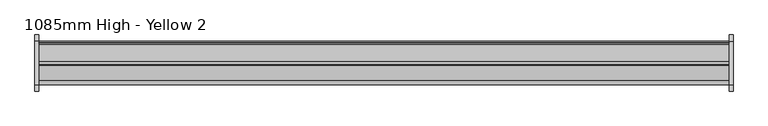
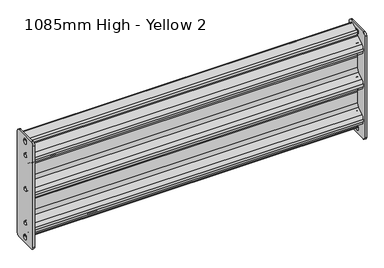
"""IFC4 building model written with IfcOpenShell, lengths in millimetres: proxy geometry, 1085mm High - Yellow 2."""

from ifc_helpers import new_model, si_unit, frame, origin, place, context, project, spatial, polyline, circle_curve, source, transform, mapped, element, save
from ifc_brep_helpers import plane_surface, cylinder_surface, revolved_surface, advanced_brep


def proxy_1085mm_high_yellow_2_e2ba2b8e(model_context):
    return source(origin(), model_context, "Body", "AdvancedBrep", [
        advanced_brep(
        [(1164.0, -35.0300035, 68.0), (1164.0, -45.0300035, 78.0), (1164.0, -45.0300035, 438.0), (1164.0, -35.0300035, 448.0), (1164.0, 34.9699965, 448.0), (1164.0, 44.9699965, 438.0), (1164.0, 44.9699965, 78.0), (1164.0, 34.9699965, 68.0), (1164.0, -6.0, 377.9554962), (1164.0, 6.0, 377.9554962), (1164.0, -7.5, 429.4691959), (1164.0, -7.5, 426.4691959), (1164.0, -2.063772, 419.2587281), (1164.0, -2.063772, 417.1716808), (1164.0, -3.4972479, 414.6131652), (1164.0, -27.8130322, 399.7251336), (1164.0, -34.9804117, 386.9325554), (1164.0, -34.9804117, 378.5396002), (1164.0, -28.5244216, 366.2107765), (1164.0, -8.4319153, 352.2864496), (1164.0, -1.9759252, 339.9576258), (1164.0, -1.9759252, 300.9623797), (1164.0, -8.4893548, 288.5939471), (1164.0, -28.4624955, 274.8894246), (1164.0, -34.9759252, 262.520992), (1164.0, -34.9759252, 253.479008), (1164.0, -28.4624955, 241.1105754), (1164.0, -8.4893548, 227.4060529), (1164.0, -1.9759252, 215.0376203), (1164.0, -1.9759252, 176.0423742), (1164.0, -8.4319153, 163.7135504), (1164.0, -28.5244216, 149.7892235), (1164.0, -34.9804117, 137.4603998), (1164.0, -34.9804117, 129.0674446), (1164.0, -27.8130322, 116.2748664), (1164.0, -3.4972479, 101.3868348), (1164.0, -2.063772, 98.8283192), (1164.0, -2.063772, 96.6522644), (1164.0, -7.5, 89.4417966), (1164.0, -7.5, 86.4417966), (1164.0, 6.5581152, 82.8029608), (1164.0, 29.0759346, 75.7534924), (1164.0, 32.6373808, 83.9850068), (1164.0, 2.9322889, 100.4086416), (1164.0, 1.4807117, 97.7832037), (1164.0, 31.1858037, 81.359569), (1164.0, 30.0143199, 78.6032957), (1164.0, 7.459593, 85.6643184), (1164.0, 7.5, 86.4417966), (1164.0, 7.5, 89.4417966), (1164.0, 0.936228, 96.8831323), (1164.0, 0.936228, 98.8283192), (1164.0, -1.9307238, 103.9453505), (1164.0, -26.2465081, 118.833382), (1164.0, -31.9804117, 129.0674446), (1164.0, -31.9804117, 137.4603998), (1164.0, -26.8156196, 147.3234588), (1164.0, -6.7231133, 161.2477857), (1164.0, 1.0240748, 176.0423742), (1164.0, 1.0240748, 215.0376203), (1164.0, -6.7920408, 229.8797394), (1164.0, -26.7651814, 243.5842619), (1164.0, -31.9759252, 253.479008), (1164.0, -31.9759252, 262.520992), (1164.0, -26.7651814, 272.4157381), (1164.0, -6.7920408, 286.1202606), (1164.0, 1.0240748, 300.9623797), (1164.0, 1.0240748, 339.9576258), (1164.0, -6.7231133, 354.7522143), (1164.0, -26.8156196, 368.6765412), (1164.0, -31.9804117, 378.5396002), (1164.0, -31.9804117, 386.9325554), (1164.0, -26.2465081, 397.166618), (1164.0, -1.9307238, 412.0546495), (1164.0, 0.936228, 417.1716808), (1164.0, 0.936228, 419.0278602), (1164.0, 7.5, 426.4691959), (1164.0, 7.5, 429.4691959), (1164.0, 7.4501229, 430.3327168), (1164.0, 30.0143199, 437.3967043), (1164.0, 31.1858037, 434.640431), (1164.0, 1.4807117, 418.2167963), (1164.0, 2.9322889, 415.5913584), (1164.0, 32.5942872, 431.9911672), (1164.0, 29.0759346, 440.2465076), (1164.0, 6.5155478, 433.1837129), (1164.0, -6.0, 257.9554962), (1164.0, 6.0, 257.9554962), (1164.0, -6.0, 137.9554962), (1164.0, 6.0, 137.9554962), (1170.0, -35.0300035, 68.0), (1170.0, 34.9699965, 68.0), (1170.0, 44.9699965, 78.0), (1170.0, 44.9699965, 438.0), (1170.0, 34.9699965, 448.0), (1170.0, -35.0300035, 448.0), (1170.0, -45.0300035, 438.0), (1170.0, -45.0300035, 78.0), (1170.0, -6.0, 377.9554962), (1170.0, 6.0, 377.9554962), (1170.0, 7.5, 429.4691959), (1170.0, 7.5, 426.4691959), (1170.0, -7.5, 426.4691959), (1170.0, -7.5, 429.4691959), (1170.0, -6.0, 257.9554962), (1170.0, 6.0, 257.9554962), (1170.0, -6.0, 137.9554962), (1170.0, 6.0, 137.9554962), (1170.0, 7.5, 89.4417966), (1170.0, 7.5, 86.4417966), (1170.0, -7.5, 86.4417966), (1170.0, -7.5, 89.4417966), (56.0, 3.7411745, 429.1715869), (56.0, 0.936228, 425.354278), (56.0, 0.936228, 419.0278602), (56.0, -2.063772, 419.2587281), (56.0, -2.063772, 425.354278), (56.0, 2.8448844, 432.0345686), (56.0, 6.5155478, 433.1837129), (56.0, 7.4501229, 430.3327168), (56.0, 0.936228, 90.645722), (56.0, 3.7411745, 86.8284131), (56.0, 7.459593, 85.6643184), (56.0, 6.5581152, 82.8029608), (56.0, 2.8448844, 83.9654314), (56.0, -2.063772, 90.645722), (56.0, -2.063772, 96.6522644), (56.0, 0.936228, 96.8831323), (1164.0, 2.8448844, 432.0345686), (1164.0, -2.063772, 425.354278), (1164.0, 0.936228, 425.354278), (1164.0, 3.7411745, 429.1715869), (1164.0, -2.063772, 90.645722), (1164.0, 2.8448844, 83.9654314), (1164.0, 3.7411745, 86.8284131), (1164.0, 0.936228, 90.645722), (56.0, 29.0759346, 440.2465076), (56.0, -2.063772, 417.1716808), (56.0, -3.4972479, 414.6131652), (56.0, -27.8130322, 399.7251336), (56.0, -34.9804117, 386.9325554), (56.0, -34.9804117, 378.5396002), (56.0, -28.5244216, 366.2107765), (56.0, -8.4319153, 352.2864496), (56.0, -1.9759252, 339.9576258), (56.0, -1.9759252, 300.9623797), (56.0, -8.4893548, 288.5939471), (56.0, -28.4624955, 274.8894246), (56.0, -34.9759252, 262.520992), (56.0, -34.9759252, 253.479008), (56.0, -28.4624955, 241.1105754), (56.0, -8.4893548, 227.4060529), (56.0, -1.9759252, 215.0376203), (56.0, -1.9759252, 176.0423742), (56.0, -8.4319153, 163.7135504), (56.0, -28.5244216, 149.7892235), (56.0, -34.9804117, 137.4603998), (56.0, -34.9804117, 129.0674446), (56.0, -27.8130322, 116.2748664), (56.0, -3.4972479, 101.3868348), (56.0, -2.063772, 98.8283192), (56.0, 29.0759346, 75.7534924), (56.0, 32.6373808, 83.9850068), (56.0, 2.9322889, 100.4086416), (56.0, 1.4807117, 97.7832037), (56.0, 31.1858037, 81.359569), (56.0, 30.0143199, 78.6032957), (56.0, 0.936228, 98.8283192), (56.0, -1.9307238, 103.9453505), (56.0, -26.2465081, 118.833382), (56.0, -31.9804117, 129.0674446), (56.0, -31.9804117, 137.4603998), (56.0, -26.8156196, 147.3234588), (56.0, -6.7231133, 161.2477857), (56.0, 1.0240748, 176.0423742), (56.0, 1.0240748, 215.0376203), (56.0, -6.7920408, 229.8797394), (56.0, -26.7651814, 243.5842619), (56.0, -31.9759252, 253.479008), (56.0, -31.9759252, 262.520992), (56.0, -26.7651814, 272.4157381), (56.0, -6.7920408, 286.1202606), (56.0, 1.0240748, 300.9623797), (56.0, 1.0240748, 339.9576258), (56.0, -6.7231133, 354.7522143), (56.0, -26.8156196, 368.6765412), (56.0, -31.9804117, 378.5396002), (56.0, -31.9804117, 386.9325554), (56.0, -26.2465081, 397.166618), (56.0, -1.9307238, 412.0546495), (56.0, 0.936228, 417.1716808), (56.0, 30.0143199, 437.3967043), (56.0, 31.1858037, 434.640431), (56.0, 1.4807117, 418.2167963), (56.0, 2.9322889, 415.5913584), (56.0, 32.5942872, 431.9911672), (56.0, 34.9699965, 448.0), (56.0, -35.0300035, 448.0), (56.0, -45.0300035, 438.0), (56.0, -45.0300035, 78.0), (56.0, -35.0300035, 68.0), (56.0, 34.9699965, 68.0), (56.0, 44.9699965, 78.0), (56.0, 44.9699965, 438.0), (56.0, -6.0, 377.9554962), (56.0, 6.0, 377.9554962), (56.0, -6.0, 257.9554962), (56.0, 6.0, 257.9554962), (56.0, -6.0, 137.9554962), (56.0, 6.0, 137.9554962), (56.0, -7.5, 86.4417966), (56.0, -7.5, 89.4417966), (56.0, -7.5, 426.4691959), (56.0, -7.5, 429.4691959), (56.0, 7.5, 429.4691959), (56.0, 7.5, 426.4691959), (56.0, 7.5, 89.4417966), (56.0, 7.5, 86.4417966), (50.0, 34.9699965, 448.0), (50.0, 44.9699965, 438.0), (50.0, 44.9699965, 78.0), (50.0, 34.9699965, 68.0), (50.0, -35.0300035, 68.0), (50.0, -45.0300035, 78.0), (50.0, -45.0300035, 438.0), (50.0, -35.0300035, 448.0), (50.0, -6.0, 377.9554962), (50.0, 6.0, 377.9554962), (50.0, -6.0, 257.9554962), (50.0, 6.0, 257.9554962), (50.0, -6.0, 137.9554962), (50.0, 6.0, 137.9554962), (50.0, 7.5, 86.4417966), (50.0, 7.5, 89.4417966), (50.0, -7.5, 89.4417966), (50.0, -7.5, 86.4417966), (50.0, 7.5, 426.4691959), (50.0, 7.5, 429.4691959), (50.0, -7.5, 429.4691959), (50.0, -7.5, 426.4691959)],
        [
            (0, 1, circle_curve(frame((1164.0, -35.0300035, 78.0), z_axis=(-1.0, 0.0, 0.0), x_axis=(0.0, 1.0, 0.0)), 10.0)),
            (1, 2),
            (2, 3, circle_curve(frame((1164.0, -35.0300035, 438.0), z_axis=(-1.0, 0.0, 0.0), x_axis=(0.0, 1.0, 0.0)), 10.0)),
            (3, 4),
            (4, 5, circle_curve(frame((1164.0, 34.9699965, 438.0), z_axis=(-1.0, 0.0, 0.0), x_axis=(0.0, 1.0, 0.0)), 10.0)),
            (5, 6),
            (6, 7, circle_curve(frame((1164.0, 34.9699965, 78.0), z_axis=(-1.0, 0.0, 0.0), x_axis=(0.0, 1.0, 0.0)), 10.0)),
            (7, 0),
            (8, 9, circle_curve(frame((1164.0, 0.0, 377.9554962), z_axis=(1.0, 0.0, 0.0), x_axis=(0.0, 1.0, 0.0)), 6.0)),
            (9, 8, circle_curve(frame((1164.0, 0.0, 377.9554962), z_axis=(1.0, 0.0, 0.0), x_axis=(0.0, 1.0, 0.0)), 6.0)),
            (10, 11),
            (11, 12, circle_curve(frame((1164.0, 0.0, 426.4691959), z_axis=(1.0, 0.0, 0.0), x_axis=(0.0, 1.0, 0.0)), 7.5)),
            (12, 13),
            (13, 14, circle_curve(frame((1164.0, -5.063772, 417.1716808), z_axis=(-1.0, 0.0, 0.0), x_axis=(0.0, 1.0, 0.0)), 3.0)),
            (14, 15),
            (15, 16, circle_curve(frame((1164.0, -19.9804117, 386.9325554), z_axis=(1.0, 0.0, 0.0), x_axis=(0.0, 1.0, 0.0)), 15.0)),
            (16, 17),
            (17, 18, circle_curve(frame((1164.0, -19.9804117, 378.5396002), z_axis=(1.0, 0.0, 0.0), x_axis=(0.0, 1.0, 0.0)), 15.0)),
            (18, 19),
            (19, 20, circle_curve(frame((1164.0, -16.9759252, 339.9576258), z_axis=(-1.0, 0.0, 0.0), x_axis=(0.0, 1.0, 0.0)), 15.0)),
            (20, 21),
            (21, 22, circle_curve(frame((1164.0, -16.9759252, 300.9623797), z_axis=(-1.0, 0.0, 0.0), x_axis=(0.0, 1.0, 0.0)), 15.0)),
            (22, 23),
            (23, 24, circle_curve(frame((1164.0, -19.9759252, 262.520992), z_axis=(1.0, 0.0, 0.0), x_axis=(0.0, 1.0, 0.0)), 15.0)),
            (24, 25),
            (25, 26, circle_curve(frame((1164.0, -19.9759252, 253.479008), z_axis=(1.0, 0.0, 0.0), x_axis=(0.0, 1.0, 0.0)), 15.0)),
            (26, 27),
            (27, 28, circle_curve(frame((1164.0, -16.9759252, 215.0376203), z_axis=(-1.0, 0.0, 0.0), x_axis=(0.0, 1.0, 0.0)), 15.0)),
            (28, 29),
            (29, 30, circle_curve(frame((1164.0, -16.9759252, 176.0423742), z_axis=(-1.0, 0.0, 0.0), x_axis=(0.0, 1.0, 0.0)), 15.0)),
            (30, 31),
            (31, 32, circle_curve(frame((1164.0, -19.9804117, 137.4603998), z_axis=(1.0, 0.0, 0.0), x_axis=(0.0, 1.0, 0.0)), 15.0)),
            (32, 33),
            (33, 34, circle_curve(frame((1164.0, -19.9804117, 129.0674446), z_axis=(1.0, 0.0, 0.0), x_axis=(0.0, 1.0, 0.0)), 15.0)),
            (34, 35),
            (35, 36, circle_curve(frame((1164.0, -5.063772, 98.8283192), z_axis=(-1.0, 0.0, 0.0), x_axis=(0.0, 1.0, 0.0)), 3.0)),
            (36, 37),
            (37, 38, circle_curve(frame((1164.0, 0.0, 89.4417966), z_axis=(1.0, 0.0, 0.0), x_axis=(0.0, 1.0, 0.0)), 7.5)),
            (38, 39),
            (39, 40, circle_curve(frame((1164.0, 0.0, 86.4417966), z_axis=(1.0, 0.0, 0.0), x_axis=(0.0, 1.0, 0.0)), 7.5)),
            (40, 41),
            (41, 42, circle_curve(frame((1164.0, 30.5119618, 80.0183857), z_axis=(1.0, 0.0, 0.0), x_axis=(0.0, 1.0, 0.0)), 4.5001654)),
            (42, 43),
            (43, 44),
            (44, 45),
            (45, 46, circle_curve(frame((1164.0, 30.5195883, 80.0156356), z_axis=(-1.0, 0.0, 0.0), x_axis=(0.0, 1.0, 0.0)), 1.5)),
            (46, 47),
            (47, 48, circle_curve(frame((1164.0, 0.0, 86.4417966), z_axis=(1.0, 0.0, 0.0), x_axis=(0.0, 1.0, 0.0)), 7.5)),
            (48, 49),
            (49, 50, circle_curve(frame((1164.0, 0.0, 89.4417966), z_axis=(1.0, 0.0, 0.0), x_axis=(0.0, 1.0, 0.0)), 7.5)),
            (50, 51),
            (51, 52, circle_curve(frame((1164.0, -5.063772, 98.8283192), z_axis=(1.0, 0.0, 0.0), x_axis=(0.0, 1.0, 0.0)), 6.0)),
            (52, 53),
            (53, 54, circle_curve(frame((1164.0, -19.9804117, 129.0674446), z_axis=(-1.0, 0.0, 0.0), x_axis=(0.0, 1.0, 0.0)), 12.0)),
            (54, 55),
            (55, 56, circle_curve(frame((1164.0, -19.9804117, 137.4603998), z_axis=(-1.0, 0.0, 0.0), x_axis=(0.0, 1.0, 0.0)), 12.0)),
            (56, 57),
            (57, 58, circle_curve(frame((1164.0, -16.9759252, 176.0423742), z_axis=(1.0, 0.0, 0.0), x_axis=(0.0, 1.0, 0.0)), 18.0)),
            (58, 59),
            (59, 60, circle_curve(frame((1164.0, -16.9759252, 215.0376203), z_axis=(1.0, 0.0, 0.0), x_axis=(0.0, 1.0, 0.0)), 18.0)),
            (60, 61),
            (61, 62, circle_curve(frame((1164.0, -19.9759252, 253.479008), z_axis=(-1.0, 0.0, 0.0), x_axis=(0.0, 1.0, 0.0)), 12.0)),
            (62, 63),
            (63, 64, circle_curve(frame((1164.0, -19.9759252, 262.520992), z_axis=(-1.0, 0.0, 0.0), x_axis=(0.0, 1.0, 0.0)), 12.0)),
            (64, 65),
            (65, 66, circle_curve(frame((1164.0, -16.9759252, 300.9623797), z_axis=(1.0, 0.0, 0.0), x_axis=(0.0, 1.0, 0.0)), 18.0)),
            (66, 67),
            (67, 68, circle_curve(frame((1164.0, -16.9759252, 339.9576258), z_axis=(1.0, 0.0, 0.0), x_axis=(0.0, 1.0, 0.0)), 18.0)),
            (68, 69),
            (69, 70, circle_curve(frame((1164.0, -19.9804117, 378.5396002), z_axis=(-1.0, 0.0, 0.0), x_axis=(0.0, 1.0, 0.0)), 12.0)),
            (70, 71),
            (71, 72, circle_curve(frame((1164.0, -19.9804117, 386.9325554), z_axis=(-1.0, 0.0, 0.0), x_axis=(0.0, 1.0, 0.0)), 12.0)),
            (72, 73),
            (73, 74, circle_curve(frame((1164.0, -5.063772, 417.1716808), z_axis=(1.0, 0.0, 0.0), x_axis=(0.0, 1.0, 0.0)), 6.0)),
            (74, 75),
            (75, 76, circle_curve(frame((1164.0, 0.0, 426.4691959), z_axis=(1.0, 0.0, 0.0), x_axis=(0.0, 1.0, 0.0)), 7.5)),
            (76, 77),
            (77, 78, circle_curve(frame((1164.0, 0.0, 429.4691959), z_axis=(1.0, 0.0, 0.0), x_axis=(0.0, 1.0, 0.0)), 7.5)),
            (78, 79),
            (79, 80, circle_curve(frame((1164.0, 30.5195883, 435.9843644), z_axis=(-1.0, 0.0, 0.0), x_axis=(0.0, 1.0, 0.0)), 1.5)),
            (80, 81),
            (81, 82),
            (82, 83),
            (83, 84, circle_curve(frame((1164.0, 30.5195883, 435.9843644), z_axis=(1.0, 0.0, 0.0), x_axis=(0.0, 1.0, 0.0)), 4.5)),
            (84, 85),
            (85, 10, circle_curve(frame((1164.0, 0.0, 429.4691959), z_axis=(1.0, 0.0, 0.0), x_axis=(0.0, 1.0, 0.0)), 7.5)),
            (86, 87, circle_curve(frame((1164.0, 0.0, 257.9554962), z_axis=(1.0, 0.0, 0.0), x_axis=(0.0, 1.0, 0.0)), 6.0)),
            (87, 86, circle_curve(frame((1164.0, 0.0, 257.9554962), z_axis=(1.0, 0.0, 0.0), x_axis=(0.0, 1.0, 0.0)), 6.0)),
            (88, 89, circle_curve(frame((1164.0, 0.0, 137.9554962), z_axis=(1.0, 0.0, 0.0), x_axis=(0.0, 1.0, 0.0)), 6.0)),
            (89, 88, circle_curve(frame((1164.0, 0.0, 137.9554962), z_axis=(1.0, 0.0, 0.0), x_axis=(0.0, 1.0, 0.0)), 6.0)),
            (90, 91),
            (91, 92, circle_curve(frame((1170.0, 34.9699965, 78.0), z_axis=(1.0, 0.0, 0.0), x_axis=(0.0, 1.0, 0.0)), 10.0)),
            (92, 93),
            (93, 94, circle_curve(frame((1170.0, 34.9699965, 438.0), z_axis=(1.0, 0.0, 0.0), x_axis=(0.0, 1.0, 0.0)), 10.0)),
            (94, 95),
            (95, 96, circle_curve(frame((1170.0, -35.0300035, 438.0), z_axis=(1.0, 0.0, 0.0), x_axis=(0.0, 1.0, 0.0)), 10.0)),
            (96, 97),
            (97, 90, circle_curve(frame((1170.0, -35.0300035, 78.0), z_axis=(1.0, 0.0, 0.0), x_axis=(0.0, 1.0, 0.0)), 10.0)),
            (98, 99, circle_curve(frame((1170.0, 0.0, 377.9554962), z_axis=(-1.0, 0.0, 0.0), x_axis=(0.0, 1.0, 0.0)), 6.0)),
            (99, 98, circle_curve(frame((1170.0, 0.0, 377.9554962), z_axis=(-1.0, 0.0, 0.0), x_axis=(0.0, 1.0, 0.0)), 6.0)),
            (100, 101),
            (101, 102, circle_curve(frame((1170.0, 0.0, 426.4691959), z_axis=(-1.0, 0.0, 0.0), x_axis=(0.0, 1.0, 0.0)), 7.5)),
            (102, 103),
            (103, 100, circle_curve(frame((1170.0, 0.0, 429.4691959), z_axis=(-1.0, 0.0, 0.0), x_axis=(0.0, 1.0, 0.0)), 7.5)),
            (104, 105, circle_curve(frame((1170.0, 0.0, 257.9554962), z_axis=(-1.0, 0.0, 0.0), x_axis=(0.0, 1.0, 0.0)), 6.0)),
            (105, 104, circle_curve(frame((1170.0, 0.0, 257.9554962), z_axis=(-1.0, 0.0, 0.0), x_axis=(0.0, 1.0, 0.0)), 6.0)),
            (106, 107, circle_curve(frame((1170.0, 0.0, 137.9554962), z_axis=(-1.0, 0.0, 0.0), x_axis=(0.0, 1.0, 0.0)), 6.0)),
            (107, 106, circle_curve(frame((1170.0, 0.0, 137.9554962), z_axis=(-1.0, 0.0, 0.0), x_axis=(0.0, 1.0, 0.0)), 6.0)),
            (108, 109),
            (109, 110, circle_curve(frame((1170.0, 0.0, 86.4417966), z_axis=(-1.0, 0.0, 0.0), x_axis=(0.0, 1.0, 0.0)), 7.5)),
            (110, 111),
            (111, 108, circle_curve(frame((1170.0, 0.0, 89.4417966), z_axis=(-1.0, 0.0, 0.0), x_axis=(0.0, 1.0, 0.0)), 7.5)),
            (7, 91),
            (90, 0),
            (6, 92),
            (5, 93),
            (4, 94),
            (3, 95),
            (2, 96),
            (1, 97),
            (9, 99),
            (98, 8),
            (76, 101),
            (100, 77),
            (75, 12, circle_curve(frame((1164.0, 0.0, 426.4691959), z_axis=(-1.0, 0.0, 0.0), x_axis=(0.0, 1.0, 0.0)), 7.5)),
            (11, 102),
            (10, 103),
            (85, 78, circle_curve(frame((1164.0, 0.0, 429.4691959), z_axis=(-1.0, 0.0, 0.0), x_axis=(0.0, 1.0, 0.0)), 7.5)),
            (87, 105),
            (104, 86),
            (89, 107),
            (106, 88),
            (48, 109),
            (108, 49),
            (47, 40, circle_curve(frame((1164.0, 0.0, 86.4417966), z_axis=(-1.0, 0.0, 0.0), x_axis=(0.0, 1.0, 0.0)), 7.5)),
            (39, 110),
            (38, 111),
            (37, 50, circle_curve(frame((1164.0, 0.0, 89.4417966), z_axis=(-1.0, 0.0, 0.0), x_axis=(0.0, 1.0, 0.0)), 7.5)),
            (112, 113, circle_curve(frame((56.0, 4.936228, 425.354278), z_axis=(1.0, 0.0, 0.0), x_axis=(0.0, 1.0, 0.0)), 4.0)),
            (113, 114),
            (114, 115, circle_curve(frame((56.0, 0.0, 426.4691959), z_axis=(-1.0, 0.0, 0.0), x_axis=(0.0, 1.0, 0.0)), 7.5)),
            (115, 116),
            (116, 117, circle_curve(frame((56.0, 4.936228, 425.354278), z_axis=(-1.0, 0.0, 0.0), x_axis=(0.0, 1.0, 0.0)), 7.0)),
            (117, 118),
            (118, 119, circle_curve(frame((56.0, 0.0, 429.4691959), z_axis=(-1.0, 0.0, 0.0), x_axis=(0.0, 1.0, 0.0)), 7.5)),
            (119, 112),
            (120, 121, circle_curve(frame((56.0, 4.936228, 90.645722), z_axis=(1.0, 0.0, 0.0), x_axis=(0.0, 1.0, 0.0)), 4.0)),
            (121, 122),
            (122, 123, circle_curve(frame((56.0, 0.0, 86.4417966), z_axis=(-1.0, 0.0, 0.0), x_axis=(0.0, 1.0, 0.0)), 7.5)),
            (123, 124),
            (124, 125, circle_curve(frame((56.0, 4.936228, 90.645722), z_axis=(-1.0, 0.0, 0.0), x_axis=(0.0, 1.0, 0.0)), 7.0)),
            (125, 126),
            (126, 127, circle_curve(frame((56.0, 0.0, 89.4417966), z_axis=(-1.0, 0.0, 0.0), x_axis=(0.0, 1.0, 0.0)), 7.5)),
            (127, 120),
            (128, 129, circle_curve(frame((1164.0, 4.936228, 425.354278), z_axis=(1.0, 0.0, 0.0), x_axis=(0.0, 1.0, 0.0)), 7.0)),
            (129, 12),
            (75, 130),
            (130, 131, circle_curve(frame((1164.0, 4.936228, 425.354278), z_axis=(-1.0, 0.0, 0.0), x_axis=(0.0, 1.0, 0.0)), 4.0)),
            (131, 78),
            (85, 128),
            (132, 133, circle_curve(frame((1164.0, 4.936228, 90.645722), z_axis=(1.0, 0.0, 0.0), x_axis=(0.0, 1.0, 0.0)), 7.0)),
            (133, 40),
            (47, 134),
            (134, 135, circle_curve(frame((1164.0, 4.936228, 90.645722), z_axis=(-1.0, 0.0, 0.0), x_axis=(0.0, 1.0, 0.0)), 4.0)),
            (135, 50),
            (37, 132),
            (84, 136),
            (136, 118),
            (117, 128),
            (116, 129),
            (115, 137),
            (137, 13),
            (137, 138, circle_curve(frame((56.0, -5.063772, 417.1716808), z_axis=(-1.0, 0.0, 0.0), x_axis=(0.0, 1.0, 0.0)), 3.0)),
            (138, 14),
            (138, 139),
            (139, 15),
            (139, 140, circle_curve(frame((56.0, -19.9804117, 386.9325554), z_axis=(1.0, 0.0, 0.0), x_axis=(0.0, 1.0, 0.0)), 15.0)),
            (140, 16),
            (140, 141),
            (141, 17),
            (141, 142, circle_curve(frame((56.0, -19.9804117, 378.5396002), z_axis=(1.0, 0.0, 0.0), x_axis=(0.0, 1.0, 0.0)), 15.0)),
            (142, 18),
            (142, 143),
            (143, 19),
            (143, 144, circle_curve(frame((56.0, -16.9759252, 339.9576258), z_axis=(-1.0, 0.0, 0.0), x_axis=(0.0, 1.0, 0.0)), 15.0)),
            (144, 20),
            (144, 145),
            (145, 21),
            (145, 146, circle_curve(frame((56.0, -16.9759252, 300.9623797), z_axis=(-1.0, 0.0, 0.0), x_axis=(0.0, 1.0, 0.0)), 15.0)),
            (146, 22),
            (146, 147),
            (147, 23),
            (147, 148, circle_curve(frame((56.0, -19.9759252, 262.520992), z_axis=(1.0, 0.0, 0.0), x_axis=(0.0, 1.0, 0.0)), 15.0)),
            (148, 24),
            (148, 149),
            (149, 25),
            (149, 150, circle_curve(frame((56.0, -19.9759252, 253.479008), z_axis=(1.0, 0.0, 0.0), x_axis=(0.0, 1.0, 0.0)), 15.0)),
            (150, 26),
            (150, 151),
            (151, 27),
            (151, 152, circle_curve(frame((56.0, -16.9759252, 215.0376203), z_axis=(-1.0, 0.0, 0.0), x_axis=(0.0, 1.0, 0.0)), 15.0)),
            (152, 28),
            (152, 153),
            (153, 29),
            (153, 154, circle_curve(frame((56.0, -16.9759252, 176.0423742), z_axis=(-1.0, 0.0, 0.0), x_axis=(0.0, 1.0, 0.0)), 15.0)),
            (154, 30),
            (154, 155),
            (155, 31),
            (155, 156, circle_curve(frame((56.0, -19.9804117, 137.4603998), z_axis=(1.0, 0.0, 0.0), x_axis=(0.0, 1.0, 0.0)), 15.0)),
            (156, 32),
            (156, 157),
            (157, 33),
            (157, 158, circle_curve(frame((56.0, -19.9804117, 129.0674446), z_axis=(1.0, 0.0, 0.0), x_axis=(0.0, 1.0, 0.0)), 15.0)),
            (158, 34),
            (158, 159),
            (159, 35),
            (159, 160, circle_curve(frame((56.0, -5.063772, 98.8283192), z_axis=(-1.0, 0.0, 0.0), x_axis=(0.0, 1.0, 0.0)), 3.0)),
            (160, 36),
            (160, 126),
            (125, 132),
            (124, 133),
            (123, 161),
            (161, 41),
            (161, 162, circle_curve(frame((56.0, 30.5119618, 80.0183857), z_axis=(1.0, 0.0, 0.0), x_axis=(0.0, 1.0, 0.0)), 4.5001654)),
            (162, 42),
            (162, 163),
            (163, 43),
            (163, 164),
            (164, 44),
            (164, 165),
            (165, 45),
            (165, 166, circle_curve(frame((56.0, 30.5195883, 80.0156356), z_axis=(-1.0, 0.0, 0.0), x_axis=(0.0, 1.0, 0.0)), 1.5)),
            (166, 46),
            (166, 122),
            (121, 134),
            (120, 135),
            (127, 167),
            (167, 51),
            (167, 168, circle_curve(frame((56.0, -5.063772, 98.8283192), z_axis=(1.0, 0.0, 0.0), x_axis=(0.0, 1.0, 0.0)), 6.0)),
            (168, 52),
            (168, 169),
            (169, 53),
            (169, 170, circle_curve(frame((56.0, -19.9804117, 129.0674446), z_axis=(-1.0, 0.0, 0.0), x_axis=(0.0, 1.0, 0.0)), 12.0)),
            (170, 54),
            (170, 171),
            (171, 55),
            (171, 172, circle_curve(frame((56.0, -19.9804117, 137.4603998), z_axis=(-1.0, 0.0, 0.0), x_axis=(0.0, 1.0, 0.0)), 12.0)),
            (172, 56),
            (172, 173),
            (173, 57),
            (173, 174, circle_curve(frame((56.0, -16.9759252, 176.0423742), z_axis=(1.0, 0.0, 0.0), x_axis=(0.0, 1.0, 0.0)), 18.0)),
            (174, 58),
            (174, 175),
            (175, 59),
            (175, 176, circle_curve(frame((56.0, -16.9759252, 215.0376203), z_axis=(1.0, 0.0, 0.0), x_axis=(0.0, 1.0, 0.0)), 18.0)),
            (176, 60),
            (176, 177),
            (177, 61),
            (177, 178, circle_curve(frame((56.0, -19.9759252, 253.479008), z_axis=(-1.0, 0.0, 0.0), x_axis=(0.0, 1.0, 0.0)), 12.0)),
            (178, 62),
            (178, 179),
            (179, 63),
            (179, 180, circle_curve(frame((56.0, -19.9759252, 262.520992), z_axis=(-1.0, 0.0, 0.0), x_axis=(0.0, 1.0, 0.0)), 12.0)),
            (180, 64),
            (180, 181),
            (181, 65),
            (181, 182, circle_curve(frame((56.0, -16.9759252, 300.9623797), z_axis=(1.0, 0.0, 0.0), x_axis=(0.0, 1.0, 0.0)), 18.0)),
            (182, 66),
            (182, 183),
            (183, 67),
            (183, 184, circle_curve(frame((56.0, -16.9759252, 339.9576258), z_axis=(1.0, 0.0, 0.0), x_axis=(0.0, 1.0, 0.0)), 18.0)),
            (184, 68),
            (184, 185),
            (185, 69),
            (185, 186, circle_curve(frame((56.0, -19.9804117, 378.5396002), z_axis=(-1.0, 0.0, 0.0), x_axis=(0.0, 1.0, 0.0)), 12.0)),
            (186, 70),
            (186, 187),
            (187, 71),
            (187, 188, circle_curve(frame((56.0, -19.9804117, 386.9325554), z_axis=(-1.0, 0.0, 0.0), x_axis=(0.0, 1.0, 0.0)), 12.0)),
            (188, 72),
            (188, 189),
            (189, 73),
            (189, 190, circle_curve(frame((56.0, -5.063772, 417.1716808), z_axis=(1.0, 0.0, 0.0), x_axis=(0.0, 1.0, 0.0)), 6.0)),
            (190, 74),
            (190, 114),
            (113, 130),
            (112, 131),
            (119, 191),
            (191, 79),
            (191, 192, circle_curve(frame((56.0, 30.5195883, 435.9843644), z_axis=(-1.0, 0.0, 0.0), x_axis=(0.0, 1.0, 0.0)), 1.5)),
            (192, 80),
            (192, 193),
            (193, 81),
            (193, 194),
            (194, 82),
            (194, 195),
            (195, 83),
            (195, 136, circle_curve(frame((56.0, 30.5195883, 435.9843644), z_axis=(1.0, 0.0, 0.0), x_axis=(0.0, 1.0, 0.0)), 4.5)),
            (196, 197),
            (197, 198, circle_curve(frame((56.0, -35.0300035, 438.0), z_axis=(1.0, 0.0, 0.0), x_axis=(0.0, 1.0, 0.0)), 10.0)),
            (198, 199),
            (199, 200, circle_curve(frame((56.0, -35.0300035, 78.0), z_axis=(1.0, 0.0, 0.0), x_axis=(0.0, 1.0, 0.0)), 10.0)),
            (200, 201),
            (201, 202, circle_curve(frame((56.0, 34.9699965, 78.0), z_axis=(1.0, 0.0, 0.0), x_axis=(0.0, 1.0, 0.0)), 10.0)),
            (202, 203),
            (203, 196, circle_curve(frame((56.0, 34.9699965, 438.0), z_axis=(1.0, 0.0, 0.0), x_axis=(0.0, 1.0, 0.0)), 10.0)),
            (204, 205, circle_curve(frame((56.0, 0.0, 377.9554962), z_axis=(-1.0, 0.0, 0.0), x_axis=(0.0, 1.0, 0.0)), 6.0)),
            (205, 204, circle_curve(frame((56.0, 0.0, 377.9554962), z_axis=(-1.0, 0.0, 0.0), x_axis=(0.0, 1.0, 0.0)), 6.0)),
            (206, 207, circle_curve(frame((56.0, 0.0, 257.9554962), z_axis=(-1.0, 0.0, 0.0), x_axis=(0.0, 1.0, 0.0)), 6.0)),
            (207, 206, circle_curve(frame((56.0, 0.0, 257.9554962), z_axis=(-1.0, 0.0, 0.0), x_axis=(0.0, 1.0, 0.0)), 6.0)),
            (208, 209, circle_curve(frame((56.0, 0.0, 137.9554962), z_axis=(-1.0, 0.0, 0.0), x_axis=(0.0, 1.0, 0.0)), 6.0)),
            (209, 208, circle_curve(frame((56.0, 0.0, 137.9554962), z_axis=(-1.0, 0.0, 0.0), x_axis=(0.0, 1.0, 0.0)), 6.0)),
            (210, 211),
            (211, 126, circle_curve(frame((56.0, 0.0, 89.4417966), z_axis=(-1.0, 0.0, 0.0), x_axis=(0.0, 1.0, 0.0)), 7.5)),
            (115, 212, circle_curve(frame((56.0, 0.0, 426.4691959), z_axis=(-1.0, 0.0, 0.0), x_axis=(0.0, 1.0, 0.0)), 7.5)),
            (212, 213),
            (213, 118, circle_curve(frame((56.0, 0.0, 429.4691959), z_axis=(-1.0, 0.0, 0.0), x_axis=(0.0, 1.0, 0.0)), 7.5)),
            (119, 214, circle_curve(frame((56.0, 0.0, 429.4691959), z_axis=(-1.0, 0.0, 0.0), x_axis=(0.0, 1.0, 0.0)), 7.5)),
            (214, 215),
            (215, 114, circle_curve(frame((56.0, 0.0, 426.4691959), z_axis=(-1.0, 0.0, 0.0), x_axis=(0.0, 1.0, 0.0)), 7.5)),
            (127, 216, circle_curve(frame((56.0, 0.0, 89.4417966), z_axis=(-1.0, 0.0, 0.0), x_axis=(0.0, 1.0, 0.0)), 7.5)),
            (216, 217),
            (217, 122, circle_curve(frame((56.0, 0.0, 86.4417966), z_axis=(-1.0, 0.0, 0.0), x_axis=(0.0, 1.0, 0.0)), 7.5)),
            (123, 210, circle_curve(frame((56.0, 0.0, 86.4417966), z_axis=(-1.0, 0.0, 0.0), x_axis=(0.0, 1.0, 0.0)), 7.5)),
            (218, 219, circle_curve(frame((50.0, 34.9699965, 438.0), z_axis=(-1.0, 0.0, 0.0), x_axis=(0.0, 1.0, 0.0)), 10.0)),
            (219, 220),
            (220, 221, circle_curve(frame((50.0, 34.9699965, 78.0), z_axis=(-1.0, 0.0, 0.0), x_axis=(0.0, 1.0, 0.0)), 10.0)),
            (221, 222),
            (222, 223, circle_curve(frame((50.0, -35.0300035, 78.0), z_axis=(-1.0, 0.0, 0.0), x_axis=(0.0, 1.0, 0.0)), 10.0)),
            (223, 224),
            (224, 225, circle_curve(frame((50.0, -35.0300035, 438.0), z_axis=(-1.0, 0.0, 0.0), x_axis=(0.0, 1.0, 0.0)), 10.0)),
            (225, 218),
            (226, 227, circle_curve(frame((50.0, 0.0, 377.9554962), z_axis=(1.0, 0.0, 0.0), x_axis=(0.0, 1.0, 0.0)), 6.0)),
            (227, 226, circle_curve(frame((50.0, 0.0, 377.9554962), z_axis=(1.0, 0.0, 0.0), x_axis=(0.0, 1.0, 0.0)), 6.0)),
            (228, 229, circle_curve(frame((50.0, 0.0, 257.9554962), z_axis=(1.0, 0.0, 0.0), x_axis=(0.0, 1.0, 0.0)), 6.0)),
            (229, 228, circle_curve(frame((50.0, 0.0, 257.9554962), z_axis=(1.0, 0.0, 0.0), x_axis=(0.0, 1.0, 0.0)), 6.0)),
            (230, 231, circle_curve(frame((50.0, 0.0, 137.9554962), z_axis=(1.0, 0.0, 0.0), x_axis=(0.0, 1.0, 0.0)), 6.0)),
            (231, 230, circle_curve(frame((50.0, 0.0, 137.9554962), z_axis=(1.0, 0.0, 0.0), x_axis=(0.0, 1.0, 0.0)), 6.0)),
            (232, 233),
            (233, 234, circle_curve(frame((50.0, 0.0, 89.4417966), z_axis=(1.0, 0.0, 0.0), x_axis=(0.0, 1.0, 0.0)), 7.5)),
            (234, 235),
            (235, 232, circle_curve(frame((50.0, 0.0, 86.4417966), z_axis=(1.0, 0.0, 0.0), x_axis=(0.0, 1.0, 0.0)), 7.5)),
            (236, 237),
            (237, 238, circle_curve(frame((50.0, 0.0, 429.4691959), z_axis=(1.0, 0.0, 0.0), x_axis=(0.0, 1.0, 0.0)), 7.5)),
            (238, 239),
            (239, 236, circle_curve(frame((50.0, 0.0, 426.4691959), z_axis=(1.0, 0.0, 0.0), x_axis=(0.0, 1.0, 0.0)), 7.5)),
            (196, 218),
            (225, 197),
            (224, 198),
            (223, 199),
            (222, 200),
            (221, 201),
            (220, 202),
            (219, 203),
            (204, 226),
            (227, 205),
            (206, 228),
            (229, 207),
            (208, 230),
            (231, 209),
            (235, 210),
            (217, 232),
            (234, 211),
            (233, 216),
            (239, 212),
            (215, 236),
            (238, 213),
            (237, 214),
        ],
        [
            plane_surface(frame((1164.0, 1442.4208958, 68.0), z_axis=(-1.0, 0.0, 0.0), x_axis=(0.0, -1.0, 0.0))),
            plane_surface(frame((1170.0, 1442.4208958, 68.0), z_axis=(1.0, 0.0, 0.0), x_axis=(0.0, 1.0, 0.0))),
            plane_surface(frame((1170.0, -35.0300035, 68.0), z_axis=(0.0, 0.0, -1.0), x_axis=(-1.0, 0.0, 0.0))),
            cylinder_surface(frame((1164.0, 34.9699965, 78.0), z_axis=(1.0, 0.0, 0.0), x_axis=(0.0, 1.0, 0.0)), 10.0),
            plane_surface(frame((1170.0, 44.9699965, 78.0), z_axis=(0.0, 1.0, 0.0), x_axis=(-1.0, 0.0, 0.0))),
            cylinder_surface(frame((1164.0, 34.9699965, 438.0), z_axis=(1.0, 0.0, 0.0), x_axis=(0.0, 1.0, 0.0)), 10.0),
            plane_surface(frame((1170.0, 34.9699965, 448.0), z_axis=(0.0, 0.0, 1.0), x_axis=(-1.0, 0.0, 0.0))),
            cylinder_surface(frame((1164.0, -35.0300035, 438.0), z_axis=(1.0, 0.0, 0.0), x_axis=(0.0, 1.0, 0.0)), 10.0),
            plane_surface(frame((1170.0, -45.0300035, 438.0), z_axis=(0.0, -1.0, 0.0), x_axis=(-1.0, 0.0, 0.0))),
            cylinder_surface(frame((1164.0, -35.0300035, 78.0), z_axis=(1.0, 0.0, 0.0), x_axis=(0.0, 1.0, 0.0)), 10.0),
            revolved_surface(polyline([(1164.0, 6.0, 377.9554962), (1170.0, 6.0, 377.9554962)]), (1170.0, 0.0, 377.9554962), (-1.0, 0.0, 0.0)),
            plane_surface(frame((1170.0, 7.5, 429.4691959), z_axis=(0.0, -1.0, 0.0), x_axis=(-1.0, 0.0, 0.0))),
            revolved_surface(polyline([(1164.0, 7.5, 426.4691959), (1170.0, 7.5, 426.4691959)]), (1170.0, 0.0, 426.4691959), (-1.0, 0.0, 0.0)),
            plane_surface(frame((1170.0, -7.5, 426.4691959), z_axis=(0.0, 1.0, 0.0), x_axis=(-1.0, 0.0, 0.0))),
            revolved_surface(polyline([(1164.0, 7.5, 429.4691959), (1170.0, 7.5, 429.4691959)]), (1170.0, 0.0, 429.4691959), (-1.0, 0.0, 0.0)),
            revolved_surface(polyline([(1164.0, 6.0, 257.9554962), (1170.0, 6.0, 257.9554962)]), (1170.0, 0.0, 257.9554962), (-1.0, 0.0, 0.0)),
            revolved_surface(polyline([(1164.0, 6.0, 137.9554962), (1170.0, 6.0, 137.9554962)]), (1170.0, 0.0, 137.9554962), (-1.0, 0.0, 0.0)),
            plane_surface(frame((1170.0, 7.5, 89.4417966), z_axis=(0.0, -1.0, 0.0), x_axis=(-1.0, 0.0, 0.0))),
            revolved_surface(polyline([(1164.0, 7.5, 86.4417966), (1170.0, 7.5, 86.4417966)]), (1170.0, 0.0, 86.4417966), (-1.0, 0.0, 0.0)),
            plane_surface(frame((1170.0, -7.5, 86.4417966), z_axis=(0.0, 1.0, 0.0), x_axis=(-1.0, 0.0, 0.0))),
            revolved_surface(polyline([(1164.0, 7.5, 89.4417966), (1170.0, 7.5, 89.4417966)]), (1170.0, 0.0, 89.4417966), (-1.0, 0.0, 0.0)),
            plane_surface(frame((56.0, 2.8448844, 432.0345686), z_axis=(-1.0, 0.0, 0.0), x_axis=(0.0, 0.9543272229362598, 0.29876337051714724))),
            plane_surface(frame((1164.0, 2.8448844, 432.0345686), z_axis=(1.0, 0.0, 0.0), x_axis=(0.0, -0.9543272229362598, -0.29876337051714724))),
            plane_surface(frame((1164.0, 29.0759346, 440.2465076), z_axis=(0.0, -0.29876337051714724, 0.9543272229362598), x_axis=(-1.0, 0.0, 0.0))),
            cylinder_surface(frame((56.0, 4.936228, 425.354278), z_axis=(1.0, 0.0, 0.0), x_axis=(0.0, 1.0, 0.0)), 7.0),
            plane_surface(frame((1164.0, -2.063772, 425.354278), z_axis=(0.0, -1.0, 0.0), x_axis=(-1.0, 0.0, 0.0))),
            revolved_surface(polyline([(56.0, -2.063772, 417.1716808), (1164.0, -2.063772, 417.1716808)]), (56.0, -5.063772, 417.1716808), (-1.0, 0.0, 0.0)),
            plane_surface(frame((1164.0, -3.4972479, 414.6131652), z_axis=(0.0, -0.5221746939185171, 0.8528385480447651), x_axis=(-1.0, 0.0, 0.0))),
            cylinder_surface(frame((56.0, -19.9804117, 386.9325554), z_axis=(1.0, 0.0, 0.0), x_axis=(0.0, 1.0, 0.0)), 15.0),
            plane_surface(frame((1164.0, -34.9804117, 386.9325554), z_axis=(0.0, -1.0, 0.0), x_axis=(-1.0, 0.0, 0.0))),
            cylinder_surface(frame((56.0, -19.9804117, 378.5396002), z_axis=(1.0, 0.0, 0.0), x_axis=(0.0, 1.0, 0.0)), 15.0),
            plane_surface(frame((1164.0, -28.5244216, 366.2107765), z_axis=(0.0, -0.5696006582891555, -0.8219215838974913), x_axis=(-1.0, 0.0, 0.0))),
            revolved_surface(polyline([(56.0, -1.975925199999999, 339.9576258), (1164.0, -1.975925199999999, 339.9576258)]), (56.0, -16.9759252, 339.9576258), (-1.0, 0.0, 0.0)),
            plane_surface(frame((1164.0, -1.9759252, 339.9576258), z_axis=(0.0, -1.0, 0.0), x_axis=(-1.0, 0.0, 0.0))),
            revolved_surface(polyline([(56.0, -1.975925199999999, 300.9623797), (1164.0, -1.975925199999999, 300.9623797)]), (56.0, -16.9759252, 300.9623797), (-1.0, 0.0, 0.0)),
            plane_surface(frame((1164.0, -8.4893548, 288.5939471), z_axis=(0.0, -0.565771355140895, 0.8245621709137737), x_axis=(-1.0, 0.0, 0.0))),
            cylinder_surface(frame((56.0, -19.9759252, 262.520992), z_axis=(1.0, 0.0, 0.0), x_axis=(0.0, 1.0, 0.0)), 15.0),
            plane_surface(frame((1164.0, -34.9759252, 262.520992), z_axis=(0.0, -1.0, 0.0), x_axis=(-1.0, 0.0, 0.0))),
            cylinder_surface(frame((56.0, -19.9759252, 253.479008), z_axis=(1.0, 0.0, 0.0), x_axis=(0.0, 1.0, 0.0)), 15.0),
            plane_surface(frame((1164.0, -28.4624955, 241.1105754), z_axis=(0.0, -0.5657713551409482, -0.8245621709137372), x_axis=(-1.0, 0.0, 0.0))),
            revolved_surface(polyline([(56.0, -1.975925199999999, 215.0376203), (1164.0, -1.975925199999999, 215.0376203)]), (56.0, -16.9759252, 215.0376203), (-1.0, 0.0, 0.0)),
            plane_surface(frame((1164.0, -1.9759252, 215.0376203), z_axis=(0.0, -1.0, 0.0), x_axis=(-1.0, 0.0, 0.0))),
            revolved_surface(polyline([(56.0, -1.975925199999999, 176.0423742), (1164.0, -1.975925199999999, 176.0423742)]), (56.0, -16.9759252, 176.0423742), (-1.0, 0.0, 0.0)),
            plane_surface(frame((1164.0, -8.4319153, 163.7135504), z_axis=(0.0, -0.5696006582891322, 0.8219215838975075), x_axis=(-1.0, 0.0, 0.0))),
            cylinder_surface(frame((56.0, -19.9804117, 137.4603998), z_axis=(1.0, 0.0, 0.0), x_axis=(0.0, 1.0, 0.0)), 15.0),
            plane_surface(frame((1164.0, -34.9804117, 137.4603998), z_axis=(0.0, -1.0, 0.0), x_axis=(-1.0, 0.0, 0.0))),
            cylinder_surface(frame((56.0, -19.9804117, 129.0674446), z_axis=(1.0, 0.0, 0.0), x_axis=(0.0, 1.0, 0.0)), 15.0),
            plane_surface(frame((1164.0, -27.8130322, 116.2748664), z_axis=(0.0, -0.5221746939185027, -0.852838548044774), x_axis=(-1.0, 0.0, 0.0))),
            revolved_surface(polyline([(56.0, -2.063772, 98.8283192), (1164.0, -2.063772, 98.8283192)]), (56.0, -5.063772, 98.8283192), (-1.0, 0.0, 0.0)),
            plane_surface(frame((1164.0, -2.063772, 98.8283192), z_axis=(0.0, -1.0, 0.0), x_axis=(-1.0, 0.0, 0.0))),
            cylinder_surface(frame((56.0, 4.936228, 90.645722), z_axis=(1.0, 0.0, 0.0), x_axis=(0.0, 1.0, 0.0)), 7.0),
            plane_surface(frame((1164.0, 2.8448844, 83.9654314), z_axis=(0.0, -0.29876337051715385, -0.9543272229362578), x_axis=(-1.0, 0.0, 0.0))),
            cylinder_surface(frame((56.0, 30.5119618, 80.0183857), z_axis=(1.0, 0.0, 0.0), x_axis=(0.0, 1.0, 0.0)), 4.5001654),
            plane_surface(frame((1164.0, 32.6373808, 83.9850068), z_axis=(0.0, 0.4838590437242915, 0.8751459454320829), x_axis=(-1.0, 0.0, 0.0))),
            plane_surface(frame((1164.0, 2.9322889, 100.4086416), z_axis=(0.0, -0.8751459454321414, 0.4838590437241857), x_axis=(-1.0, 0.0, 0.0))),
            plane_surface(frame((1164.0, 1.4807117, 97.7832037), z_axis=(0.0, -0.4838590437243002, -0.8751459454320781), x_axis=(-1.0, 0.0, 0.0))),
            revolved_surface(polyline([(56.0, 32.019588299999995, 80.0156356), (1164.0, 32.019588299999995, 80.0156356)]), (56.0, 30.5195883, 80.0156356), (-1.0, 0.0, 0.0)),
            plane_surface(frame((1164.0, 30.0143199, 78.6032957), z_axis=(0.0, 0.298763370517155, 0.9543272229362574), x_axis=(-1.0, 0.0, 0.0))),
            revolved_surface(polyline([(56.0, 8.936228, 90.645722), (1164.0, 8.936228, 90.645722)]), (56.0, 4.936228, 90.645722), (-1.0, 0.0, 0.0)),
            plane_surface(frame((1164.0, 0.936228, 90.645722), z_axis=(0.0, 1.0, 0.0), x_axis=(-1.0, 0.0, 0.0))),
            cylinder_surface(frame((56.0, -5.063772, 98.8283192), z_axis=(1.0, 0.0, 0.0), x_axis=(0.0, 1.0, 0.0)), 6.0),
            plane_surface(frame((1164.0, -1.9307238, 103.9453505), z_axis=(0.0, 0.5221746939184193, 0.852838548044825), x_axis=(-1.0, 0.0, 0.0))),
            revolved_surface(polyline([(56.0, -7.980411700000001, 129.0674446), (1164.0, -7.980411700000001, 129.0674446)]), (56.0, -19.9804117, 129.0674446), (-1.0, 0.0, 0.0)),
            plane_surface(frame((1164.0, -31.9804117, 129.0674446), z_axis=(0.0, 1.0, 0.0), x_axis=(-1.0, 0.0, 0.0))),
            revolved_surface(polyline([(56.0, -7.980411700000001, 137.4603998), (1164.0, -7.980411700000001, 137.4603998)]), (56.0, -19.9804117, 137.4603998), (-1.0, 0.0, 0.0)),
            plane_surface(frame((1164.0, -26.8156196, 147.3234588), z_axis=(0.0, 0.5696006582892135, -0.8219215838974512), x_axis=(-1.0, 0.0, 0.0))),
            cylinder_surface(frame((56.0, -16.9759252, 176.0423742), z_axis=(1.0, 0.0, 0.0), x_axis=(0.0, 1.0, 0.0)), 18.0),
            plane_surface(frame((1164.0, 1.0240748, 176.0423742), z_axis=(0.0, 1.0, 0.0), x_axis=(-1.0, 0.0, 0.0))),
            cylinder_surface(frame((56.0, -16.9759252, 215.0376203), z_axis=(1.0, 0.0, 0.0), x_axis=(0.0, 1.0, 0.0)), 18.0),
            plane_surface(frame((1164.0, -6.7920408, 229.8797394), z_axis=(0.0, 0.5657713551409774, 0.8245621709137172), x_axis=(-1.0, 0.0, 0.0))),
            revolved_surface(polyline([(56.0, -7.975925199999999, 253.479008), (1164.0, -7.975925199999999, 253.479008)]), (56.0, -19.9759252, 253.479008), (-1.0, 0.0, 0.0)),
            plane_surface(frame((1164.0, -31.9759252, 253.479008), z_axis=(0.0, 1.0, 0.0), x_axis=(-1.0, 0.0, 0.0))),
            revolved_surface(polyline([(56.0, -7.975925199999999, 262.520992), (1164.0, -7.975925199999999, 262.520992)]), (56.0, -19.9759252, 262.520992), (-1.0, 0.0, 0.0)),
            plane_surface(frame((1164.0, -26.7651814, 272.4157381), z_axis=(0.0, 0.5657713551408949, -0.8245621709137737), x_axis=(-1.0, 0.0, 0.0))),
            cylinder_surface(frame((56.0, -16.9759252, 300.9623797), z_axis=(1.0, 0.0, 0.0), x_axis=(0.0, 1.0, 0.0)), 18.0),
            plane_surface(frame((1164.0, 1.0240748, 300.9623797), z_axis=(0.0, 1.0, 0.0), x_axis=(-1.0, 0.0, 0.0))),
            cylinder_surface(frame((56.0, -16.9759252, 339.9576258), z_axis=(1.0, 0.0, 0.0), x_axis=(0.0, 1.0, 0.0)), 18.0),
            plane_surface(frame((1164.0, -6.7231133, 354.7522143), z_axis=(0.0, 0.5696006582892161, 0.8219215838974493), x_axis=(-1.0, 0.0, 0.0))),
            revolved_surface(polyline([(56.0, -7.980411700000001, 378.5396002), (1164.0, -7.980411700000001, 378.5396002)]), (56.0, -19.9804117, 378.5396002), (-1.0, 0.0, 0.0)),
            plane_surface(frame((1164.0, -31.9804117, 378.5396002), z_axis=(0.0, 1.0, 0.0), x_axis=(-1.0, 0.0, 0.0))),
            revolved_surface(polyline([(56.0, -7.980411700000001, 386.9325554), (1164.0, -7.980411700000001, 386.9325554)]), (56.0, -19.9804117, 386.9325554), (-1.0, 0.0, 0.0)),
            plane_surface(frame((1164.0, -26.2465081, 397.166618), z_axis=(0.0, 0.5221746939184208, -0.8528385480448241), x_axis=(-1.0, 0.0, 0.0))),
            cylinder_surface(frame((56.0, -5.063772, 417.1716808), z_axis=(1.0, 0.0, 0.0), x_axis=(0.0, 1.0, 0.0)), 6.0),
            plane_surface(frame((1164.0, 0.936228, 417.1716808), z_axis=(0.0, 1.0, 0.0), x_axis=(-1.0, 0.0, 0.0))),
            revolved_surface(polyline([(56.0, 8.936228, 425.354278), (1164.0, 8.936228, 425.354278)]), (56.0, 4.936228, 425.354278), (-1.0, 0.0, 0.0)),
            plane_surface(frame((1164.0, 3.7411745, 429.1715869), z_axis=(0.0, 0.2987633705171481, -0.9543272229362596), x_axis=(-1.0, 0.0, 0.0))),
            revolved_surface(polyline([(56.0, 32.019588299999995, 435.9843644), (1164.0, 32.019588299999995, 435.9843644)]), (56.0, 30.5195883, 435.9843644), (-1.0, 0.0, 0.0)),
            plane_surface(frame((1164.0, 31.1858037, 434.640431), z_axis=(0.0, -0.483859043724292, 0.8751459454320826), x_axis=(-1.0, 0.0, 0.0))),
            plane_surface(frame((1164.0, 1.4807117, 418.2167963), z_axis=(0.0, -0.8751459454321414, -0.4838590437241857), x_axis=(-1.0, 0.0, 0.0))),
            plane_surface(frame((1164.0, 2.9322889, 415.5913584), z_axis=(0.0, 0.48385904372429306, -0.875145945432082), x_axis=(-1.0, 0.0, 0.0))),
            cylinder_surface(frame((56.0, 30.5195883, 435.9843644), z_axis=(1.0, 0.0, 0.0), x_axis=(0.0, 1.0, 0.0)), 4.5),
            plane_surface(frame((56.0, -2826.5161703, 448.0), z_axis=(1.0, 0.0, 0.0), x_axis=(0.0, -1.0, 0.0))),
            plane_surface(frame((50.0, -2826.5161703, 448.0), z_axis=(-1.0, 0.0, 0.0), x_axis=(0.0, 1.0, 0.0))),
            plane_surface(frame((56.0, 34.9699965, 448.0), z_axis=(0.0, 0.0, 1.0), x_axis=(-1.0, 0.0, 0.0))),
            cylinder_surface(frame((50.0, -35.0300035, 438.0), z_axis=(1.0, 0.0, 0.0), x_axis=(0.0, 1.0, 0.0)), 10.0),
            plane_surface(frame((56.0, -45.0300035, 438.0), z_axis=(0.0, -1.0, 0.0), x_axis=(-1.0, 0.0, 0.0))),
            cylinder_surface(frame((50.0, -35.0300035, 78.0), z_axis=(1.0, 0.0, 0.0), x_axis=(0.0, 1.0, 0.0)), 10.0),
            plane_surface(frame((56.0, -35.0300035, 68.0), z_axis=(0.0, 0.0, -1.0), x_axis=(-1.0, 0.0, 0.0))),
            cylinder_surface(frame((50.0, 34.9699965, 78.0), z_axis=(1.0, 0.0, 0.0), x_axis=(0.0, 1.0, 0.0)), 10.0),
            plane_surface(frame((56.0, 44.9699965, 78.0), z_axis=(0.0, 1.0, 0.0), x_axis=(-1.0, 0.0, 0.0))),
            cylinder_surface(frame((50.0, 34.9699965, 438.0), z_axis=(1.0, 0.0, 0.0), x_axis=(0.0, 1.0, 0.0)), 10.0),
            revolved_surface(polyline([(50.0, 6.0, 377.9554962), (56.0, 6.0, 377.9554962)]), (50.0, 0.0, 377.9554962), (-1.0, 0.0, 0.0)),
            revolved_surface(polyline([(50.0, 6.0, 257.9554962), (56.0, 6.0, 257.9554962)]), (50.0, 0.0, 257.9554962), (-1.0, 0.0, 0.0)),
            revolved_surface(polyline([(50.0, 6.0, 137.9554962), (56.0, 6.0, 137.9554962)]), (50.0, 0.0, 137.9554962), (-1.0, 0.0, 0.0)),
            revolved_surface(polyline([(50.0, 7.5, 86.4417966), (56.0, 7.5, 86.4417966)]), (50.0, 0.0, 86.4417966), (-1.0, 0.0, 0.0)),
            plane_surface(frame((56.0, -7.5, 86.4417966), z_axis=(0.0, 1.0, 0.0), x_axis=(-1.0, 0.0, 0.0))),
            revolved_surface(polyline([(50.0, 7.5, 89.4417966), (56.0, 7.5, 89.4417966)]), (50.0, 0.0, 89.4417966), (-1.0, 0.0, 0.0)),
            plane_surface(frame((56.0, 7.5, 89.4417966), z_axis=(0.0, -1.0, 0.0), x_axis=(-1.0, 0.0, 0.0))),
            revolved_surface(polyline([(50.0, 7.5, 426.4691959), (56.0, 7.5, 426.4691959)]), (50.0, 0.0, 426.4691959), (-1.0, 0.0, 0.0)),
            plane_surface(frame((56.0, -7.5, 426.4691959), z_axis=(0.0, 1.0, 0.0), x_axis=(-1.0, 0.0, 0.0))),
            revolved_surface(polyline([(50.0, 7.5, 429.4691959), (56.0, 7.5, 429.4691959)]), (50.0, 0.0, 429.4691959), (-1.0, 0.0, 0.0)),
            plane_surface(frame((56.0, 7.5, 429.4691959), z_axis=(0.0, -1.0, 0.0), x_axis=(-1.0, 0.0, 0.0))),
        ],
        [
            (0, [[1, 2, 3, 4, 5, 6, 7, 8], [9, 10], [11, 12, 13, 14, 15, 16, 17, 18, 19, 20, 21, 22, 23, 24, 25, 26, 27, 28, 29, 30, 31, 32, 33, 34, 35, 36, 37, 38, 39, 40, 41, 42, 43, 44, 45, 46, 47, 48, 49, 50, 51, 52, 53, 54, 55, 56, 57, 58, 59, 60, 61, 62, 63, 64, 65, 66, 67, 68, 69, 70, 71, 72, 73, 74, 75, 76, 77, 78, 79, 80, 81, 82, 83, 84, 85, 86], [87, 88], [89, 90]]),
            (1, [[91, 92, 93, 94, 95, 96, 97, 98], [99, 100], [101, 102, 103, 104], [105, 106], [107, 108], [109, 110, 111, 112]]),
            (2, [[-8, 113, -91, 114]]),
            (3, [[-7, 115, -92, -113]]),
            (4, [[-6, 116, -93, -115]]),
            (5, [[-5, 117, -94, -116]]),
            (6, [[-4, 118, -95, -117]]),
            (7, [[-3, 119, -96, -118]]),
            (8, [[-2, 120, -97, -119]]),
            (9, [[-1, -114, -98, -120]]),
            (10, [[-10, 121, -99, 122]]),
            (10, [[-9, -122, -100, -121]]),
            (11, [[-77, 123, -101, 124]]),
            (12, [[-102, -123, -76, 125, -12, 126]]),
            (13, [[-11, 127, -103, -126]]),
            (14, [[-104, -127, -86, 128, -78, -124]]),
            (15, [[-88, 129, -105, 130]]),
            (15, [[-87, -130, -106, -129]]),
            (16, [[-90, 131, -107, 132]]),
            (16, [[-89, -132, -108, -131]]),
            (17, [[-49, 133, -109, 134]]),
            (18, [[-110, -133, -48, 135, -40, 136]]),
            (19, [[-39, 137, -111, -136]]),
            (20, [[-112, -137, -38, 138, -50, -134]]),
            (21, [[139, 140, 141, 142, 143, 144, 145, 146]]),
            (21, [[147, 148, 149, 150, 151, 152, 153, 154]]),
            (22, [[155, 156, -125, 157, 158, 159, -128, 160]]),
            (22, [[161, 162, -135, 163, 164, 165, -138, 166]]),
            (23, [[167, 168, -144, 169, -160, -85]]),
            (24, [[-143, 170, -155, -169]]),
            (25, [[-170, -142, 171, 172, -13, -156]]),
            (26, [[-172, 173, 174, -14]]),
            (27, [[-174, 175, 176, -15]]),
            (28, [[-176, 177, 178, -16]]),
            (29, [[-178, 179, 180, -17]]),
            (30, [[-180, 181, 182, -18]]),
            (31, [[-182, 183, 184, -19]]),
            (32, [[-184, 185, 186, -20]]),
            (33, [[-186, 187, 188, -21]]),
            (34, [[-188, 189, 190, -22]]),
            (35, [[-190, 191, 192, -23]]),
            (36, [[-192, 193, 194, -24]]),
            (37, [[-194, 195, 196, -25]]),
            (38, [[-196, 197, 198, -26]]),
            (39, [[-198, 199, 200, -27]]),
            (40, [[-200, 201, 202, -28]]),
            (41, [[-202, 203, 204, -29]]),
            (42, [[-204, 205, 206, -30]]),
            (43, [[-206, 207, 208, -31]]),
            (44, [[-208, 209, 210, -32]]),
            (45, [[-210, 211, 212, -33]]),
            (46, [[-212, 213, 214, -34]]),
            (47, [[-214, 215, 216, -35]]),
            (48, [[-216, 217, 218, -36]]),
            (49, [[-218, 219, -152, 220, -166, -37]]),
            (50, [[-151, 221, -161, -220]]),
            (51, [[-221, -150, 222, 223, -41, -162]]),
            (52, [[-223, 224, 225, -42]]),
            (53, [[-225, 226, 227, -43]]),
            (54, [[-227, 228, 229, -44]]),
            (55, [[-229, 230, 231, -45]]),
            (56, [[-231, 232, 233, -46]]),
            (57, [[-233, 234, -148, 235, -163, -47]]),
            (58, [[-147, 236, -164, -235]]),
            (59, [[-236, -154, 237, 238, -51, -165]]),
            (60, [[-238, 239, 240, -52]]),
            (61, [[-240, 241, 242, -53]]),
            (62, [[-242, 243, 244, -54]]),
            (63, [[-244, 245, 246, -55]]),
            (64, [[-246, 247, 248, -56]]),
            (65, [[-248, 249, 250, -57]]),
            (66, [[-250, 251, 252, -58]]),
            (67, [[-252, 253, 254, -59]]),
            (68, [[-254, 255, 256, -60]]),
            (69, [[-256, 257, 258, -61]]),
            (70, [[-258, 259, 260, -62]]),
            (71, [[-260, 261, 262, -63]]),
            (72, [[-262, 263, 264, -64]]),
            (73, [[-264, 265, 266, -65]]),
            (74, [[-266, 267, 268, -66]]),
            (75, [[-268, 269, 270, -67]]),
            (76, [[-270, 271, 272, -68]]),
            (77, [[-272, 273, 274, -69]]),
            (78, [[-274, 275, 276, -70]]),
            (79, [[-276, 277, 278, -71]]),
            (80, [[-278, 279, 280, -72]]),
            (81, [[-280, 281, 282, -73]]),
            (82, [[-282, 283, 284, -74]]),
            (83, [[-284, 285, -140, 286, -157, -75]]),
            (84, [[-139, 287, -158, -286]]),
            (85, [[-287, -146, 288, 289, -79, -159]]),
            (86, [[-289, 290, 291, -80]]),
            (87, [[-291, 292, 293, -81]]),
            (88, [[-293, 294, 295, -82]]),
            (89, [[-295, 296, 297, -83]]),
            (90, [[-167, -84, -297, 298]]),
            (91, [[299, 300, 301, 302, 303, 304, 305, 306], [307, 308], [309, 310], [311, 312], [313, 314, -219, -217, -215, -213, -211, -209, -207, -205, -203, -201, -199, -197, -195, -193, -191, -189, -187, -185, -183, -181, -179, -177, -175, -173, -171, 315, 316, 317, -168, -298, -296, -294, -292, -290, -288, 318, 319, 320, -285, -283, -281, -279, -277, -275, -273, -271, -269, -267, -265, -263, -261, -259, -257, -255, -253, -251, -249, -247, -245, -243, -241, -239, -237, 321, 322, 323, -234, -232, -230, -228, -226, -224, -222, 324]]),
            (92, [[325, 326, 327, 328, 329, 330, 331, 332], [333, 334], [335, 336], [337, 338], [339, 340, 341, 342], [343, 344, 345, 346]]),
            (93, [[-299, 347, -332, 348]]),
            (94, [[-300, -348, -331, 349]]),
            (95, [[-301, -349, -330, 350]]),
            (96, [[-302, -350, -329, 351]]),
            (97, [[-303, -351, -328, 352]]),
            (98, [[-304, -352, -327, 353]]),
            (99, [[-305, -353, -326, 354]]),
            (100, [[-306, -354, -325, -347]]),
            (101, [[-307, 355, -334, 356]]),
            (101, [[-308, -356, -333, -355]]),
            (102, [[-309, 357, -336, 358]]),
            (102, [[-310, -358, -335, -357]]),
            (103, [[-311, 359, -338, 360]]),
            (103, [[-312, -360, -337, -359]]),
            (104, [[-342, 361, -324, -149, -323, 362]]),
            (105, [[-313, -361, -341, 363]]),
            (106, [[-340, 364, -321, -153, -314, -363]]),
            (107, [[-322, -364, -339, -362]]),
            (108, [[-346, 365, -315, -141, -320, 366]]),
            (109, [[-316, -365, -345, 367]]),
            (110, [[-344, 368, -318, -145, -317, -367]]),
            (111, [[-319, -368, -343, -366]]),
        ],
    ),
    ])


if __name__ == "__main__":
    model = new_model("IFC4")
    model_context = context("Model", 3, world=origin())
    ifc_project = project(units=[si_unit("LENGTHUNIT", "METRE", prefix="MILLI")], contexts=[model_context])
    site = spatial("IfcSite", under=ifc_project)
    building = spatial("IfcBuilding", under=site)
    placement = place(None, origin())
    proxy_1085mm_high_yellow_2_shape = proxy_1085mm_high_yellow_2_e2ba2b8e(model_context)
    element("IfcBuildingElementProxy", 1, Name="1085mm High - Yellow 2", ObjectType="1085mm High - Yellow 2", at=placement, inside=building, context=model_context, shape_type="MappedRepresentation", body=[
        mapped(proxy_1085mm_high_yellow_2_shape, transform((0.0, 0.0, 0.0), x_axis=(1.0, 0.0, 0.0), y_axis=(0.0, 1.0, 0.0), z_axis=(0.0, 0.0, 1.0))),
    ])
    save(model, "model.ifc")
